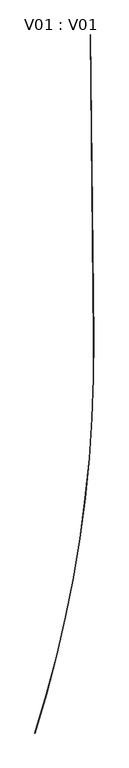
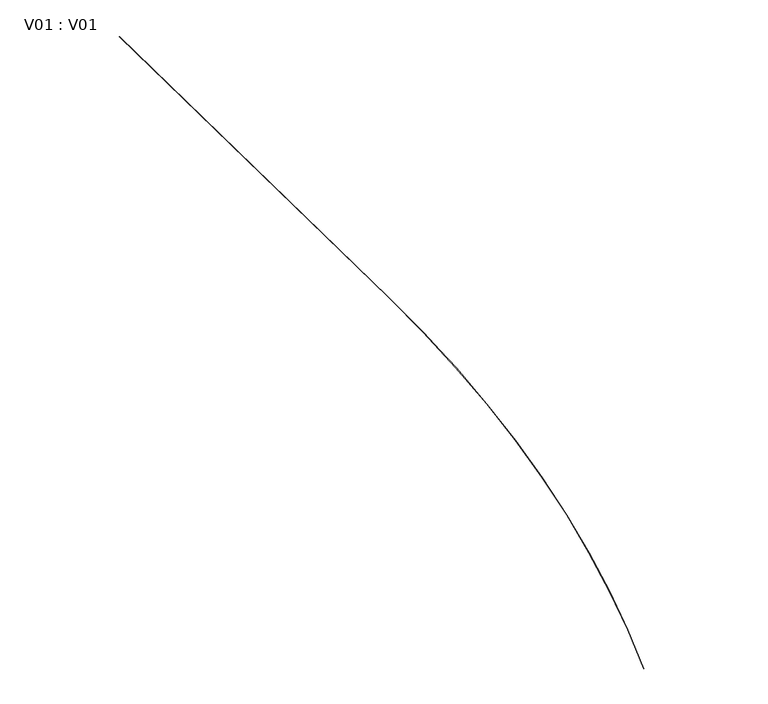
"""IFC4 building model written with IfcOpenShell, lengths in millimetres: proxy geometry, V01 : V01."""

from ifc_helpers import new_model, si_unit, origin, place, context, project, spatial, faceted_brep, source, transform, mapped, element, save


def v01_v01_e9ea05bf(model_context):
    return source(origin(), model_context, "Body", "Brep", [
        faceted_brep([(11999.422244, 40000.277699, 89.7504685), (11999.422244, 40000.277699, 0.0), (0.0, 47.7235248, 0.0), (0.0, 47.7235248, 89.7504685), (12046.7775437, 39986.8724316, 135.5060167), (12046.7775437, 39986.8724316, 89.7504685), (47.3552997, 34.3182575, 89.7504685), (47.3552997, 34.3182575, 135.5060167), (12120.6545424, 39965.9594415, 89.7504685), (12120.6545424, 39965.9594415, 135.5060167), (121.2322983, 13.4052673, 135.5060167), (121.2322983, 13.4052673, 89.7504685), (12168.0098421, 39952.5541741, 0.0), (12168.0098421, 39952.5541741, 89.7504685), (168.587598, 0.0, 89.7504685), (168.587598, 0.0, 0.0), (22751.2455574, 80425.2239565, 89.7504685), (22751.2455574, 80425.2239565, 0.0), (22799.0033507, 80413.3319937, 135.5060167), (22799.0033507, 80413.3319937, 89.7504685), (22873.5082626, 80394.7798458, 89.7504685), (22873.5082626, 80394.7798458, 135.5060167), (22921.2660559, 80382.887883, 0.0), (22921.2660559, 80382.887883, 89.7504685), (32211.5835854, 121171.7576399, 89.7504685), (32211.5835854, 121171.7576399, 0.0), (32259.6955257, 121161.3910201, 135.5060167), (32259.6955257, 121161.3910201, 89.7504685), (32334.7529273, 121145.2184954, 89.7504685), (32334.7529273, 121145.2184954, 135.5060167), (32382.8648675, 121134.8518757, 0.0), (32382.8648675, 121134.8518757, 89.7504685), (40370.8592532, 162198.6293829, 89.7504685), (40370.8592532, 162198.6293829, 0.0), (40419.2766352, 162189.7986006, 135.5060167), (40419.2766352, 162189.7986006, 89.7504685), (40494.8105436, 162176.022071, 89.7504685), (40494.8105436, 162176.022071, 135.5060167), (40543.2279257, 162167.1912888, 0.0), (40543.2279257, 162167.1912888, 89.7504685), (47220.8127279, 203464.3066868, 89.7504685), (47220.8127279, 203464.3066868, 0.0), (47269.4865374, 203457.0206818, 135.5060167), (47269.4865374, 203457.0206818, 89.7504685), (47345.4204874, 203445.6540937, 89.7504685), (47345.4204874, 203445.6540937, 135.5060167), (47394.0942969, 203438.3680886, 0.0), (47394.0942969, 203438.3680886, 89.7504685), (52754.5096114, 244927.0151561, 89.7504685), (52754.5096114, 244927.0151561, 0.0), (52803.3905744, 244921.281304, 135.5060167), (52803.3905744, 244921.281304, 89.7504685), (52879.6476958, 244912.3361641, 89.7504685), (52879.6476958, 244912.3361641, 135.5060167), (52928.5286587, 244906.6023121, 0.0), (52928.5286587, 244906.6023121, 89.7504685), (56966.3479543, 286544.7806926, 89.7504685), (56966.3479543, 286544.7806926, 0.0), (57015.3865871, 286540.6047982, 135.5060167), (57015.3865871, 286540.6047982, 89.7504685), (57091.8896825, 286534.0901619, 89.7504685), (57091.8896825, 286534.0901619, 135.5060167), (57140.9283153, 286529.9142675, 0.0), (57140.9283153, 286529.9142675, 89.7504685), (59852.06399, 328275.4724712, 89.7504685), (59852.06399, 328275.4724712, 0.0), (59901.2106494, 328272.8587617, 135.5060167), (59901.2106494, 328272.8587617, 89.7504685), (59977.8822724, 328268.7812241, 89.7504685), (59977.8822724, 328268.7812241, 135.5060167), (60027.0289317, 328266.1675145, 0.0), (60027.0289317, 328266.1675145, 89.7504685), (61408.7364188, 370076.8451403, 89.7504685), (61408.7364188, 370076.8451403, 0.0), (61457.941352, 370075.7962617, 135.5060167), (61457.941352, 370075.7962617, 89.7504685), (61534.7038857, 370074.1599506, 89.7504685), (61534.7038857, 370074.1599506, 135.5060167), (61583.9088189, 370073.1110719, 0.0), (61583.9088189, 370073.1110719, 89.7504685), (61634.6872634, 411887.686129, 89.7504685), (61634.6872634, 411887.686129, 0.0), (61683.8985432, 411887.811645, 135.5060167), (61683.8985432, 411887.811645, 89.7504685), (61760.6709779, 411888.0074572, 89.7504685), (61760.6709779, 411888.0074572, 135.5060167), (61809.8822577, 411888.1329732, 0.0), (61809.8822577, 411888.1329732, 89.7504685), (58309.4934035, 728405.5111117, 89.7504685), (58309.4934035, 728405.5111117, 0.0), (58358.706002, 728405.5111117, 89.7504685), (58358.706002, 728405.5111117, 135.5060167), (58435.4804937, 728405.5111117, 135.5060167), (58435.4804937, 728405.5111117, 89.7504685), (58484.6930922, 728405.5111117, 89.7504685), (58484.6930922, 728405.5111117, 0.0)], [[[0, 1, 2, 3]], [[4, 5, 6, 7]], [[8, 9, 10, 11]], [[12, 13, 14, 15]], [[16, 17, 1, 0]], [[18, 19, 5, 4]], [[20, 21, 9, 8]], [[22, 23, 13, 12]], [[24, 25, 17, 16]], [[26, 27, 19, 18]], [[28, 29, 21, 20]], [[30, 31, 23, 22]], [[32, 33, 25, 24]], [[34, 35, 27, 26]], [[36, 37, 29, 28]], [[38, 39, 31, 30]], [[40, 41, 33, 32]], [[42, 43, 35, 34]], [[44, 45, 37, 36]], [[46, 47, 39, 38]], [[48, 49, 41, 40]], [[50, 51, 43, 42]], [[52, 53, 45, 44]], [[54, 55, 47, 46]], [[56, 57, 49, 48]], [[58, 59, 51, 50]], [[60, 61, 53, 52]], [[62, 63, 55, 54]], [[64, 65, 57, 56]], [[66, 67, 59, 58]], [[68, 69, 61, 60]], [[70, 71, 63, 62]], [[72, 73, 65, 64]], [[74, 75, 67, 66]], [[76, 77, 69, 68]], [[78, 79, 71, 70]], [[80, 81, 73, 72]], [[82, 83, 75, 74]], [[84, 85, 77, 76]], [[86, 87, 79, 78]], [[88, 89, 81, 80]], [[90, 88, 80, 72, 64, 56, 48, 40, 32, 24, 16, 0, 3, 6, 5, 19, 27, 35, 43, 51, 59, 67, 75, 83]], [[91, 90, 83, 82]], [[92, 91, 82, 74, 66, 58, 50, 42, 34, 26, 18, 4, 7, 10, 9, 21, 29, 37, 45, 53, 61, 69, 77, 85]], [[93, 92, 85, 84]], [[94, 93, 84, 76, 68, 60, 52, 44, 36, 28, 20, 8, 11, 14, 13, 23, 31, 39, 47, 55, 63, 71, 79, 87]], [[95, 94, 87, 86]], [[89, 95, 86, 78, 70, 62, 54, 46, 38, 30, 22, 12, 15, 2, 1, 17, 25, 33, 41, 49, 57, 65, 73, 81]], [[2, 15, 14, 11, 10, 7, 6, 3]], [[95, 89, 88, 90, 91, 92, 93, 94]]]),
    ])


if __name__ == "__main__":
    model = new_model("IFC4")
    model_context = context("Model", 3, world=origin())
    ifc_project = project(units=[si_unit("LENGTHUNIT", "METRE", prefix="MILLI")], contexts=[model_context])
    site = spatial("IfcSite", under=ifc_project)
    building = spatial("IfcBuilding", under=site)
    placement = place(None, origin())
    v01_v01_shape = v01_v01_e9ea05bf(model_context)
    element("IfcBuildingElementProxy", 1, Name="V01 : V01", ObjectType="V01 : V01", at=placement, inside=building, context=model_context, shape_type="MappedRepresentation", body=[
        mapped(v01_v01_shape, transform((0.0, 0.0, 0.0), x_axis=(1.0, 0.0, 0.0), y_axis=(0.0, 1.0, 0.0), z_axis=(0.0, 0.0, 1.0))),
    ])
    save(model, "model.ifc")
